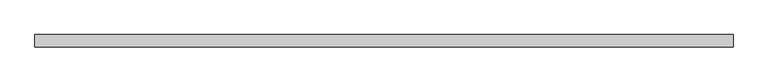
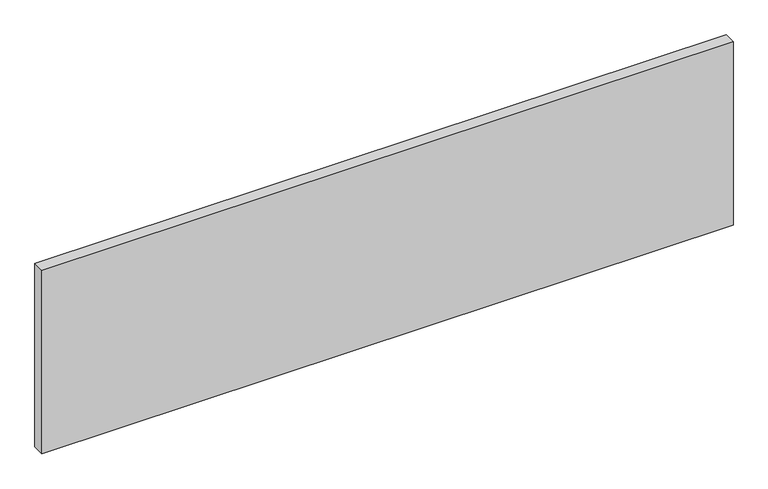
"""IFC4 building model written with IfcOpenShell, lengths in millimetres: plate geometry."""

from ifc_helpers import new_model, si_unit, origin, origin_with_axes, place, context, project, spatial, polyline, outline, extrude, source, transform, mapped, element, save


def plate_82ffb95b(model_context):
    return source(origin(), model_context, "Body", "SweptSolid", [
        extrude(outline(polyline([(712.5, 24.5), (-712.5, 24.5), (-712.5, 49.5), (712.5, 49.5), (712.5, 24.5)])), origin_with_axes(), (0.0, 0.0, 1.0), 400.0),
    ])


if __name__ == "__main__":
    model = new_model("IFC4")
    model_context = context("Model", 3, world=origin())
    ifc_project = project(units=[si_unit("LENGTHUNIT", "METRE", prefix="MILLI")], contexts=[model_context])
    site = spatial("IfcSite", under=ifc_project)
    building = spatial("IfcBuilding", under=site)
    placement = place(None, origin())
    plate_shape = plate_82ffb95b(model_context)
    element("IfcPlate", 1, at=placement, inside=building, context=model_context, shape_type="MappedRepresentation", body=[
        mapped(plate_shape, transform((0.0, 0.0, 0.0), x_axis=(1.0, 0.0, 0.0), y_axis=(0.0, 1.0, 0.0), z_axis=(0.0, 0.0, 1.0))),
    ])
    save(model, "model.ifc")
